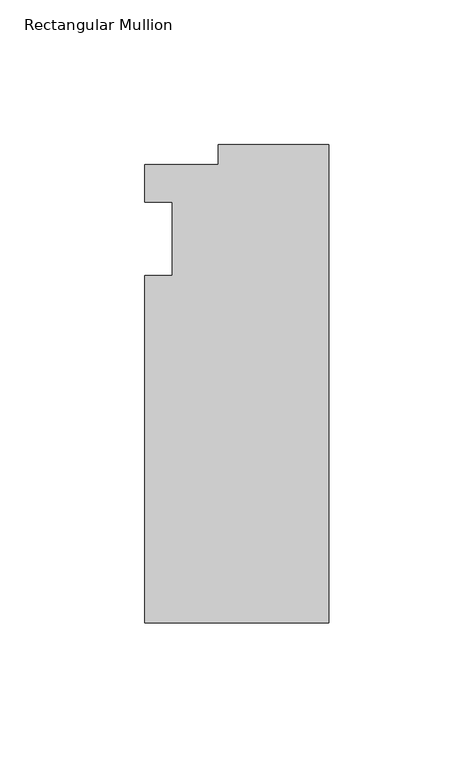
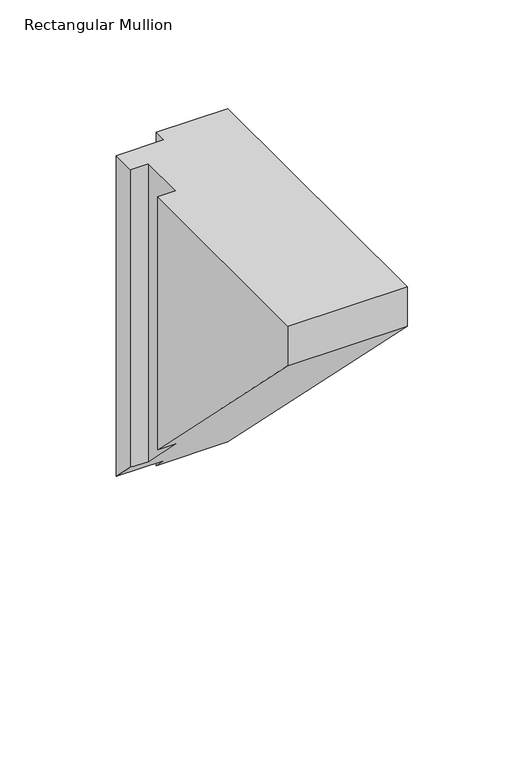
"""IFC4 building model written with IfcOpenShell, lengths in millimetres: member geometry, Rectangular Mullion."""

import ifcopenshell
import ifcopenshell.guid

model = None  # the IFC model being written
_history = None  # IfcOwnerHistory: only IFC2X3 demands one
_inside = {}  # id of a spatial element -> (the spatial element, [elements in it])
_under = {}  # id of a project, library or spatial element -> (it, [spatial elements below it])
_declared = {}  # id of a project -> (the project, [libraries it declares])
_typed = {}  # id of a type object -> (the type object, [elements of that type])
_made_of = {}  # id of a material, layer set ... -> (it, [elements and type objects made of it])


def new_model(schema):
    """Start an empty IFC model of exactly this schema.

    Asked for "IFC4X3", IfcOpenShell would pick the latest addendum, in which some entities
    have other attributes; the version numbers below select the first issue.
    IFC2X3 requires an IfcOwnerHistory on every rooted entity: one is made here for all.
    """
    global model, _history
    if schema == "IFC4X3":
        model = ifcopenshell.file(schema_version=(4, 3, 0, 0))
    else:
        model = ifcopenshell.file(schema=schema)
    _inside.clear()
    _under.clear()
    _declared.clear()
    _typed.clear()
    _made_of.clear()
    _history = None
    if model.schema == "IFC2X3":
        org = make("IfcOrganization", Name="unknown")
        user = make(
            "IfcPersonAndOrganization",
            ThePerson=make("IfcPerson", FamilyName="unknown"),
            TheOrganization=org,
        )
        app = make(
            "IfcApplication",
            ApplicationDeveloper=org,
            Version="unknown",
            ApplicationFullName="unknown",
            ApplicationIdentifier="unknown",
        )
        _history = make(
            "IfcOwnerHistory",
            OwningUser=user,
            OwningApplication=app,
            ChangeAction="ADDED",
            CreationDate=0,
        )
    return model


def make(cls, **values):
    """One entity of the class cls with the attributes given. An attribute that is None is left unset."""
    return model.create_entity(
        cls, **{name: value for name, value in values.items() if value is not None}
    )


def rooted(cls, **values):
    """An entity with a GlobalId (a new one), such as an element, a storey or a relation."""
    return make(cls, GlobalId=ifcopenshell.guid.new(), OwnerHistory=_history, **values)


def si_unit(unit_type, name, prefix=None):
    """IfcSIUnit, for example si_unit("LENGTHUNIT", "METRE", prefix="MILLI")."""
    return make("IfcSIUnit", UnitType=unit_type, Prefix=prefix, Name=name)


def assignment(units):
    """IfcUnitAssignment: the units of a project."""
    return None if units is None else make("IfcUnitAssignment", Units=units)


def point(xyz):
    """IfcCartesianPoint."""
    return None if xyz is None else make("IfcCartesianPoint", Coordinates=xyz)


def direction(xyz):
    """IfcDirection."""
    return None if xyz is None else make("IfcDirection", DirectionRatios=xyz)


def frame(location, z_axis=None, x_axis=None):
    """IfcAxis2Placement3D, a coordinate frame: its origin and axes. An axis left out is left unset."""
    return make(
        "IfcAxis2Placement3D",
        Location=point(location),
        Axis=direction(z_axis),
        RefDirection=direction(x_axis),
    )


def origin():
    """The frame at (0, 0, 0) with its axes left unset."""
    return frame((0.0, 0.0, 0.0))


def place(relative_to, where):
    """IfcLocalPlacement: puts the frame where relative to a parent placement (None: the world)."""
    return make(
        "IfcLocalPlacement", PlacementRelTo=relative_to, RelativePlacement=where
    )


def context(
    kind, dimensions, precision=None, world=None, true_north=None, identifier=None
):
    """IfcGeometricRepresentationContext, for example the 3D "Model" context."""
    return make(
        "IfcGeometricRepresentationContext",
        ContextIdentifier=identifier,
        ContextType=kind,
        CoordinateSpaceDimension=dimensions,
        Precision=precision,
        WorldCoordinateSystem=world,
        TrueNorth=true_north,
    )


def project(units=None, contexts=None):
    """IfcProject with its units and contexts."""
    return rooted(
        "IfcProject",
        Name="project",
        RepresentationContexts=contexts,
        UnitsInContext=assignment(units),
    )


def spatial(cls, under=None, at=None, **own):
    """A site, building, storey or space (cls), placed at a placement, below another one or the project."""
    s = rooted(cls, ObjectPlacement=at, **own)
    if under is not None:
        _under.setdefault(under.id(), (under, []))[1].append(s)
    return s


def faces_of(points, faces, orient=None, outer=None):
    """IfcFace entities. A face is a list of loops; a loop is a list of indices into points, from 0.

    orient and outer hold one flag for each loop. By default every Orientation is true, the
    first loop of a face is its IfcFaceOuterBound and the others are IfcFaceBound.
    """
    made = []
    for i, loops in enumerate(faces):
        bounds = []
        for j, loop in enumerate(loops):
            is_outer = j == 0 if outer is None else outer[i][j]
            bounds.append(
                make(
                    "IfcFaceOuterBound" if is_outer else "IfcFaceBound",
                    Bound=make("IfcPolyLoop", Polygon=[points[k] for k in loop]),
                    Orientation=True if orient is None else orient[i][j],
                )
            )
        made.append(make("IfcFace", Bounds=bounds))
    return made


def faceted_brep(points, faces, orient=None, outer=None, voids=None):
    """IfcFacetedBrep: a solid bounded by flat faces; with voids (closed shells), ...WithVoids."""
    shared = [point(p) for p in points]
    hull = make("IfcClosedShell", CfsFaces=faces_of(shared, faces, orient, outer))
    if voids is None:
        return make("IfcFacetedBrep", Outer=hull)
    return make(
        "IfcFacetedBrepWithVoids",
        Outer=hull,
        Voids=[
            make(cls, CfsFaces=faces_of(shared, fs, o, b)) for cls, fs, o, b in voids
        ],
    )


def shape(context_of_items, identifier, shape_type, items):
    """IfcShapeRepresentation: the items that make up one representation, for example the "Body"."""
    return make(
        "IfcShapeRepresentation",
        ContextOfItems=context_of_items,
        RepresentationIdentifier=identifier,
        RepresentationType=shape_type,
        Items=items,
    )


def source(mapping_origin, context_of_items, identifier, shape_type, items):
    """IfcRepresentationMap: a shape defined once, which mapped items show again and again."""
    return make(
        "IfcRepresentationMap",
        MappingOrigin=mapping_origin,
        MappedRepresentation=shape(context_of_items, identifier, shape_type, items),
    )


def transform(
    local_origin,
    x_axis=None,
    y_axis=None,
    z_axis=None,
    scale=None,
    scale2=None,
    scale3=None,
    uniform=True,
):
    """IfcCartesianTransformationOperator3D, or its non-uniform kind. x_axis, y_axis, z_axis: its Axis1, 2, 3."""
    if uniform:
        return make(
            "IfcCartesianTransformationOperator3D",
            Axis1=direction(x_axis),
            Axis2=direction(y_axis),
            LocalOrigin=point(local_origin),
            Scale=scale,
            Axis3=direction(z_axis),
        )
    return make(
        "IfcCartesianTransformationOperator3DnonUniform",
        Axis1=direction(x_axis),
        Axis2=direction(y_axis),
        LocalOrigin=point(local_origin),
        Scale=scale,
        Axis3=direction(z_axis),
        Scale2=scale2,
        Scale3=scale3,
    )


def mapped(mapping_source, mapping_target):
    """IfcMappedItem: shows the shape of a source again, moved by a transform."""
    return make(
        "IfcMappedItem", MappingSource=mapping_source, MappingTarget=mapping_target
    )


def made_of(thing, what):
    """Note that an element or type object is made of a material, layer set ...; save() writes the relation."""
    if what is not None:
        _made_of.setdefault(what.id(), (what, []))[1].append(thing)
    return thing


def element(
    cls,
    number,
    at=None,
    inside=None,
    cuts=None,
    type_object=None,
    material=None,
    context=None,
    identifier="Body",
    shape_type=None,
    held_by="IfcProductDefinitionShape",
    body=None,
    shapes=None,
    **own,
):
    """One element of the class cls, such as IfcWall. Its Tag is "e" and its number.

    at: its placement. inside: the storey or other place that contains it. cuts: it is an
    opening in that element (IfcRelVoidsElement). A single representation is given by context,
    identifier, shape_type and body (its items); several are given by shapes. held_by: the class
    of the entity that holds the representations. save() writes the other relations.
    """
    e = rooted(cls, Tag="e%d" % number, ObjectPlacement=at, **own)
    if body is not None:
        shapes = [shape(context, identifier, shape_type, body)]
    if shapes is not None:
        e.Representation = make(held_by, Representations=shapes)
    if inside is not None:
        _inside.setdefault(inside.id(), (inside, []))[1].append(e)
    if cuts is not None:
        rooted(
            "IfcRelVoidsElement", RelatingBuildingElement=cuts, RelatedOpeningElement=e
        )
    if type_object is not None:
        _typed.setdefault(type_object.id(), (type_object, []))[1].append(e)
    return made_of(e, material)


def aggregate(whole, parts):
    """IfcRelAggregates: a whole, such as a stair, and the parts it consists of."""
    return rooted("IfcRelAggregates", RelatingObject=whole, RelatedObjects=parts)


def save(model, path):
    """Write the relations noted so far, then the file.

    IfcRelAggregates (storeys below a building ...), IfcRelContainedInSpatialStructure (elements
    in a storey), IfcRelDefinesByType, IfcRelAssociatesMaterial and IfcRelDeclares: one each for
    every whole, place, type object, material and project.
    """
    for whole, parts in _under.values():
        aggregate(whole, parts)
    for where, things in _inside.values():
        rooted(
            "IfcRelContainedInSpatialStructure",
            RelatedElements=things,
            RelatingStructure=where,
        )
    for kind, things in _typed.values():
        rooted("IfcRelDefinesByType", RelatedObjects=things, RelatingType=kind)
    for what, things in _made_of.values():
        rooted("IfcRelAssociatesMaterial", RelatedObjects=things, RelatingMaterial=what)
    for by, libraries in _declared.values():
        rooted("IfcRelDeclares", RelatingContext=by, RelatedDefinitions=libraries)
    model.write(path)


def rectangular_mullion_65769ca2(model_context):
    return source(origin(), model_context, "Body", "Brep", [
        faceted_brep([(-38.1, 32.54375, 0.0), (-38.1, 25.58415, 0.0), (-63.5, 25.58415, 0.0), (-63.5, 12.7, 0.0), (-53.975, 12.7, 0.0), (-53.975, -12.7, 0.0), (-63.5, -12.7, 0.0), (-63.5, -132.55625, 0.0), (0.0, -132.55625, 0.0), (0.0, 32.54375, 0.0), (-63.5, 25.58415, -180.3954904), (-63.5, 12.7, -167.5113404), (-53.975, 12.7, -167.5113404), (-53.975, -12.7, -142.1113404), (-63.5, -12.7, -142.1113404), (-63.5, -132.55625, -22.2550904), (0.0, -132.55625, -22.2550904), (0.0, 32.54375, -187.3550904), (-38.1, 32.54375, -187.3550904), (-38.1, 25.58415, -180.3954904)], [[[0, 1, 2, 3, 4, 5, 6, 7, 8, 9]], [[3, 2, 10, 11]], [[4, 3, 11, 12]], [[5, 4, 12, 13]], [[6, 5, 13, 14]], [[7, 6, 14, 15]], [[8, 7, 15, 16]], [[9, 8, 16, 17]], [[0, 9, 17, 18]], [[18, 17, 16, 15, 14, 13, 12, 11, 10, 19]], [[1, 0, 18, 19]], [[2, 1, 19, 10]]]),
    ])


if __name__ == "__main__":
    model = new_model("IFC4")
    model_context = context("Model", 3, world=origin())
    ifc_project = project(units=[si_unit("LENGTHUNIT", "METRE", prefix="MILLI")], contexts=[model_context])
    site = spatial("IfcSite", under=ifc_project)
    building = spatial("IfcBuilding", under=site)
    placement = place(None, origin())
    rectangular_mullion_shape = rectangular_mullion_65769ca2(model_context)
    element("IfcMember", 1, ObjectType="Rectangular Mullion", at=placement, inside=building, context=model_context, shape_type="MappedRepresentation", body=[
        mapped(rectangular_mullion_shape, transform((0.0, 0.0, 0.0), x_axis=(1.0, 0.0, 0.0), y_axis=(0.0, 1.0, 0.0), z_axis=(0.0, 0.0, 1.0))),
    ])
    save(model, "model.ifc")
